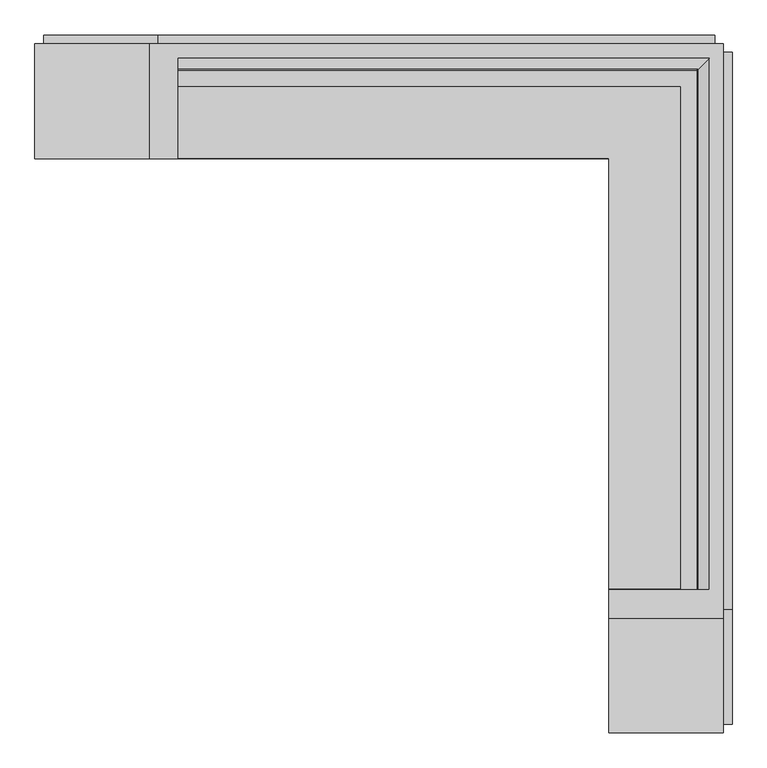
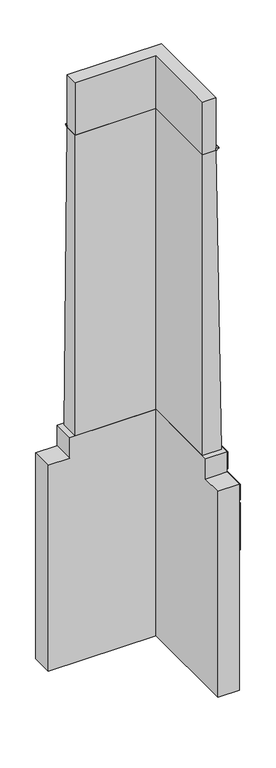
"""IFC4 building model written with IfcOpenShell, lengths in millimetres: furniture geometry."""

from ifc_helpers import new_model, si_unit, frame, origin, place, context, project, spatial, polyline, circle_curve, ellipse_curve, outline, extrude, faceted_brep, source, transform, mapped, element, save
from ifc_brep_helpers import plane_surface, cylinder_surface, advanced_brep


def furniture_e958b39d(model_context):
    return source(origin(), model_context, "Body", "SolidModel", [
        faceted_brep([(310.2319964, 362.5924503, -130.0), (-1689.7680036, 362.5924503, -130.0), (-1689.7680036, 762.5924503, -130.0), (710.2319964, 762.5924503, -130.0), (710.2319964, -1637.4075497, -130.0), (310.2319964, -1637.4075497, -130.0), (310.2319964, -1637.4075497, 3910.0), (710.2319964, -1637.4075497, 3910.0), (-1689.7680036, 762.5924503, 3910.0), (-1689.7680036, 362.5924503, 3910.0), (-1289.7680036, 362.5924503, 3910.0), (-1289.7680036, 762.5924503, 3910.0), (710.2319964, -1237.4075497, 3910.0), (310.2319964, -1237.4075497, 3910.0), (310.2319964, 362.5924503, 4310.0), (310.2319964, -1237.4075497, 4310.0), (710.2319964, -1237.4075497, 4310.0), (710.2319964, 762.5924503, 4310.0), (-1289.7680036, 762.5924503, 4310.0), (-1289.7680036, 362.5924503, 4310.0)], [[[0, 1, 2, 3, 4, 5]], [[6, 5, 4, 7]], [[8, 2, 1, 9]], [[9, 10, 11, 8]], [[7, 12, 13, 6]], [[14, 15, 16, 17, 18, 19]], [[19, 10, 9, 1, 0, 14]], [[18, 11, 10, 19]], [[17, 3, 2, 8, 11, 18]], [[16, 12, 7, 4, 3, 17]], [[15, 13, 12, 16]], [[0, 5, 6, 13, 15, 14]]]),
        advanced_brep(
        [(-1189.7680036, 612.5924503, 10210.0), (-1189.7680036, 612.5924503, 10252.177667), (-1189.7680036, 669.4147832, 10252.177667), (-1189.7680036, 672.5924503, 10249.0), (-1189.7680036, 672.5924503, 10246.0), (-1189.7680036, 662.5924503, 10236.0), (-1189.7680036, 652.1318423, 10236.0), (-1189.7680036, 642.5924503, 10223.0), (-1189.7680036, 632.1318423, 10223.0), (-1189.7680036, 622.5924503, 10210.0), (570.2319964, 622.5924503, 10210.0), (570.2319964, -1137.4075497, 10210.0), (560.2319964, -1137.4075497, 10210.0), (560.2319964, 612.5924503, 10210.0), (579.7713884, 632.1318423, 10223.0), (590.2319964, 642.5924503, 10223.0), (590.2319964, -1137.4075497, 10223.0), (579.7713884, -1137.4075497, 10223.0), (599.7713884, 652.1318423, 10236.0), (610.2319964, 662.5924503, 10236.0), (610.2319964, -1137.4075497, 10236.0), (599.7713884, -1137.4075497, 10236.0), (620.2319964, 672.5924503, 10246.0), (617.0543293, 669.4147832, 10252.177667), (620.2319964, 672.5924503, 10249.0), (560.2319964, 612.5924503, 10252.177667), (560.2319964, -1137.4075497, 10252.177667), (617.0543293, -1137.4075497, 10252.177667), (620.2319964, -1137.4075497, 10246.0), (620.2319964, -1137.4075497, 10249.0)],
        [
            (0, 1),
            (1, 2),
            (2, 3, circle_curve(frame((-1189.7680036, 669.4147832, 10249.0), z_axis=(-1.0, 0.0, 0.0), x_axis=(0.0, 1.0, 0.0)), 3.177667)),
            (3, 4),
            (4, 5, circle_curve(frame((-1189.7680036, 662.5924503, 10246.0), z_axis=(-1.0, 0.0, 0.0), x_axis=(0.0, 1.0, 0.0)), 10.0)),
            (5, 6),
            (6, 7, circle_curve(frame((-1189.7680036, 642.5924503, 10233.0), z_axis=(-1.0, 0.0, 0.0), x_axis=(0.0, 1.0, 0.0)), 10.0)),
            (7, 8),
            (8, 9, circle_curve(frame((-1189.7680036, 622.5924503, 10220.0), z_axis=(-1.0, 0.0, 0.0), x_axis=(0.0, 1.0, 0.0)), 10.0)),
            (9, 0),
            (9, 10),
            (10, 11),
            (11, 12),
            (12, 13),
            (13, 0),
            (8, 14),
            (14, 10, ellipse_curve(frame((570.2319964, 622.5924503, 10220.0), z_axis=(-0.7071067811865475, 0.7071067811865476, 0.0), x_axis=(-0.7071067811865476, -0.7071067811865475, 0.0)), 14.1421356, 10.0)),
            (7, 15),
            (15, 16),
            (16, 17),
            (17, 14),
            (6, 18),
            (18, 15, ellipse_curve(frame((590.2319964, 642.5924503, 10233.0), z_axis=(-0.7071067811865475, 0.7071067811865476, 0.0), x_axis=(-0.7071067811865476, -0.7071067811865475, 0.0)), 14.1421356, 10.0)),
            (5, 19),
            (19, 20),
            (20, 21),
            (21, 18),
            (4, 22),
            (22, 19, ellipse_curve(frame((610.2319964, 662.5924503, 10246.0), z_axis=(-0.7071067811865475, 0.7071067811865476, 0.0), x_axis=(-0.7071067811865476, -0.7071067811865475, 0.0)), 14.1421356, 10.0)),
            (2, 23),
            (23, 24, ellipse_curve(frame((617.0543293, 669.4147832, 10249.0), z_axis=(-0.7071067811865475, 0.7071067811865476, 0.0), x_axis=(-0.7071067811865476, -0.7071067811865475, 0.0)), 4.4938998, 3.177667)),
            (24, 3),
            (1, 25),
            (25, 26),
            (26, 27),
            (27, 23),
            (13, 25),
            (11, 17, circle_curve(frame((570.2319964, -1137.4075497, 10220.0), z_axis=(0.0, -1.0, 0.0), x_axis=(1.0, 0.0, 0.0)), 10.0)),
            (16, 21, circle_curve(frame((590.2319964, -1137.4075497, 10233.0), z_axis=(0.0, -1.0, 0.0), x_axis=(1.0, 0.0, 0.0)), 10.0)),
            (20, 28, circle_curve(frame((610.2319964, -1137.4075497, 10246.0), z_axis=(0.0, -1.0, 0.0), x_axis=(1.0, 0.0, 0.0)), 10.0)),
            (28, 29),
            (29, 27, circle_curve(frame((617.0543293, -1137.4075497, 10249.0), z_axis=(0.0, -1.0, 0.0), x_axis=(1.0, 0.0, 0.0)), 3.177667)),
            (26, 12),
            (22, 28),
            (29, 24),
            (24, 22),
        ],
        [
            plane_surface(frame((-1189.7680036, 612.5924503, 10210.0), z_axis=(-1.0, 0.0, 0.0), x_axis=(0.0, 0.0, 1.0))),
            plane_surface(frame((-1189.7680036, 612.5924503, 10210.0), z_axis=(0.0, 0.0, -1.0), x_axis=(1.0, 0.0, 0.0))),
            cylinder_surface(frame((-1189.7680036, 622.5924503, 10220.0), z_axis=(-1.0, 0.0, 0.0), x_axis=(0.0, 1.0, 0.0)), 10.0),
            plane_surface(frame((-1189.7680036, 632.1318423, 10223.0), z_axis=(0.0, 0.0, -1.0), x_axis=(1.0, 0.0, 0.0))),
            cylinder_surface(frame((-1189.7680036, 642.5924503, 10233.0), z_axis=(-1.0, 0.0, 0.0), x_axis=(0.0, 1.0, 0.0)), 10.0),
            plane_surface(frame((-1189.7680036, 652.1318423, 10236.0), z_axis=(0.0, 0.0, -1.0), x_axis=(1.0, 0.0, 0.0))),
            cylinder_surface(frame((-1189.7680036, 662.5924503, 10246.0), z_axis=(-1.0, 0.0, 0.0), x_axis=(0.0, 1.0, 0.0)), 10.0),
            cylinder_surface(frame((-1189.7680036, 669.4147832, 10249.0), z_axis=(-1.0, 0.0, 0.0), x_axis=(0.0, 1.0, 0.0)), 3.177667),
            plane_surface(frame((-1189.7680036, 669.4147832, 10252.177667), z_axis=(0.0, 0.0, 1.0), x_axis=(1.0, 0.0, 0.0))),
            plane_surface(frame((-1189.7680036, 612.5924503, 10252.177667), z_axis=(0.0, -1.0, 0.0), x_axis=(1.0, 0.0, 0.0))),
            plane_surface(frame((560.2319964, -1137.4075497, 10210.0), z_axis=(0.0, -1.0, 0.0), x_axis=(0.0, 0.0, 1.0))),
            cylinder_surface(frame((570.2319964, 612.5924503, 10220.0), z_axis=(0.0, 1.0, 0.0), x_axis=(1.0, 0.0, 0.0)), 10.0),
            cylinder_surface(frame((590.2319964, 612.5924503, 10233.0), z_axis=(0.0, 1.0, 0.0), x_axis=(1.0, 0.0, 0.0)), 10.0),
            cylinder_surface(frame((610.2319964, 612.5924503, 10246.0), z_axis=(0.0, 1.0, 0.0), x_axis=(1.0, 0.0, 0.0)), 10.0),
            cylinder_surface(frame((617.0543293, 612.5924503, 10249.0), z_axis=(0.0, 1.0, 0.0), x_axis=(1.0, 0.0, 0.0)), 3.177667),
            plane_surface(frame((560.2319964, 612.5924503, 10252.177667), z_axis=(-1.0, 0.0, 0.0), x_axis=(0.0, -1.0, 0.0))),
            plane_surface(frame((-1189.7680036, 672.5924503, 10246.0), z_axis=(0.0, 1.0, 0.0), x_axis=(1.0, 0.0, 0.0))),
            plane_surface(frame((620.2319964, 672.5924503, 10246.0), z_axis=(1.0, 0.0, 0.0), x_axis=(0.0, -1.0, 0.0))),
        ],
        [
            (0, [[1, 2, 3, 4, 5, 6, 7, 8, 9, 10]]),
            (1, [[11, 12, 13, 14, 15, -10]]),
            (2, [[16, 17, -11, -9]]),
            (3, [[18, 19, 20, 21, -16, -8]]),
            (4, [[22, 23, -18, -7]]),
            (5, [[24, 25, 26, 27, -22, -6]]),
            (6, [[28, 29, -24, -5]]),
            (7, [[30, 31, 32, -3]]),
            (8, [[33, 34, 35, 36, -30, -2]]),
            (9, [[-15, 37, -33, -1]]),
            (10, [[-13, 38, -20, 39, -26, 40, 41, 42, -35, 43]]),
            (11, [[-21, -38, -12, -17]]),
            (12, [[-27, -39, -19, -23]]),
            (13, [[44, -40, -25, -29]]),
            (14, [[-36, -42, 45, -31]]),
            (15, [[-14, -43, -34, -37]]),
            (16, [[-32, 46, -28, -4]]),
            (17, [[-45, -41, -44, -46]]),
        ],
    ),
        extrude(outline(polyline([(740.2003264, -1207.4075497), (710.2319964, -1207.4075497), (710.2319964, 732.5924503), (740.2003264, 732.5924503), (740.2003264, -1207.4075497)])), frame((0.0, 0.0, 3940.0), z_axis=(0.0, 0.0, 1.0), x_axis=(1.0, 0.0, 0.0)), (0.0, 0.0, 1.0), 340.0),
        extrude(outline(polyline([(740.2003264, -57.4075497), (710.2319964, -57.4075497), (710.2319964, 732.5924503), (740.2003264, 732.5924503), (740.2003264, -57.4075497)])), frame((0.0, 0.0, 3580.0), z_axis=(0.0, 0.0, 1.0), x_axis=(1.0, 0.0, 0.0)), (0.0, 0.0, 1.0), 300.0),
        extrude(outline(polyline([(740.2003264, -407.4075497), (710.2319964, -407.4075497), (710.2319964, 732.5924503), (740.2003264, 732.5924503), (740.2003264, -407.4075497)])), frame((0.0, 0.0, 2600.0), z_axis=(0.0, 0.0, 1.0), x_axis=(1.0, 0.0, 0.0)), (0.0, 0.0, 1.0), 920.0),
        extrude(outline(polyline([(740.2003264, -1607.4075497), (710.2319964, -1607.4075497), (710.2319964, -117.4075497), (740.2003264, -117.4075497), (740.2003264, -1607.4075497)])), frame((0.0, 0.0, 3580.0), z_axis=(0.0, 0.0, 1.0), x_axis=(1.0, 0.0, 0.0)), (0.0, 0.0, 1.0), 300.0),
        extrude(outline(polyline([(740.2003264, -1607.4075497), (710.2319964, -1607.4075497), (710.2319964, -467.4075497), (740.2003264, -467.4075497), (740.2003264, -1607.4075497)])), frame((0.0, 0.0, 2600.0), z_axis=(0.0, 0.0, 1.0), x_axis=(1.0, 0.0, 0.0)), (0.0, 0.0, 1.0), 920.0),
        extrude(outline(polyline([(680.2319964, 792.6), (680.2319964, 762.5924503), (-1259.7680036, 762.5924503), (-1259.7680036, 792.6), (680.2319964, 792.6)])), frame((0.0, 0.0, 3940.0), z_axis=(0.0, 0.0, 1.0), x_axis=(1.0, 0.0, 0.0)), (0.0, 0.0, 1.0), 340.0),
        extrude(outline(polyline([(-169.7680036, 792.6), (-169.7680036, 762.5924503), (-1659.7680036, 762.5924503), (-1659.7680036, 792.6), (-169.7680036, 792.6)])), frame((0.0, 0.0, 3580.0), z_axis=(0.0, 0.0, 1.0), x_axis=(1.0, 0.0, 0.0)), (0.0, 0.0, 1.0), 300.0),
        extrude(outline(polyline([(680.2319964, 792.6), (680.2319964, 762.5924503), (-109.7680036, 762.5924503), (-109.7680036, 792.6), (680.2319964, 792.6)])), frame((0.0, 0.0, 3580.0), z_axis=(0.0, 0.0, 1.0), x_axis=(1.0, 0.0, 0.0)), (0.0, 0.0, 1.0), 300.0),
        extrude(outline(polyline([(-519.7680036, 792.6), (-519.7680036, 762.5924503), (-1659.7680036, 762.5924503), (-1659.7680036, 792.6), (-519.7680036, 792.6)])), frame((0.0, 0.0, 2600.0), z_axis=(0.0, 0.0, 1.0), x_axis=(1.0, 0.0, 0.0)), (0.0, 0.0, 1.0), 920.0),
        extrude(outline(polyline([(680.2319964, 792.6), (680.2319964, 762.5924503), (-459.7680036, 762.5924503), (-459.7680036, 792.6), (680.2319964, 792.6)])), frame((0.0, 0.0, 2600.0), z_axis=(0.0, 0.0, 1.0), x_axis=(1.0, 0.0, 0.0)), (0.0, 0.0, 1.0), 920.0),
        extrude(outline(polyline([(-1189.7680036, 362.5924503), (-1189.7680036, 612.5924503), (560.2319964, 612.5924503), (560.2319964, -1137.4075497), (310.2319964, -1137.4075497), (310.2319964, 362.5924503), (-1189.7680036, 362.5924503)])), frame((0.0, 0.0, 10210.0), z_axis=(0.0, 0.0, 1.0), x_axis=(1.0, 0.0, 0.0)), (0.0, 0.0, 1.0), 1030.0),
        faceted_brep([(310.2319964, -1137.4075497, 10210.0), (560.2319964, -1137.4075497, 10210.0), (560.2319964, 612.5924503, 10210.0), (-1189.7680036, 612.5924503, 10210.0), (-1189.7680036, 362.5924503, 10210.0), (310.2319964, 362.5924503, 10210.0), (310.2319964, -1137.4075497, 4310.0), (310.2319964, 362.5924503, 4310.0), (-1189.7680036, 362.5924503, 4310.0), (-1189.7680036, 712.5924503, 4310.0), (660.2319964, 712.5924503, 4310.0), (660.2319964, -1137.4075497, 4310.0)], [[[0, 1, 2, 3, 4, 5]], [[6, 7, 8, 9, 10, 11]], [[6, 0, 5, 7]], [[7, 5, 4, 8]], [[8, 4, 3, 9]], [[9, 3, 2, 10]], [[10, 2, 1, 11]], [[11, 1, 0, 6]]]),
    ])


if __name__ == "__main__":
    model = new_model("IFC4")
    model_context = context("Model", 3, world=origin())
    ifc_project = project(units=[si_unit("LENGTHUNIT", "METRE", prefix="MILLI")], contexts=[model_context])
    site = spatial("IfcSite", under=ifc_project)
    building = spatial("IfcBuilding", under=site)
    placement = place(None, origin())
    furniture_shape = furniture_e958b39d(model_context)
    element("IfcFurniture", 1, at=placement, inside=building, context=model_context, shape_type="MappedRepresentation", body=[
        mapped(furniture_shape, transform((0.0, 0.0, 0.0), x_axis=(1.0, 0.0, 0.0), y_axis=(0.0, 1.0, 0.0), z_axis=(0.0, 0.0, 1.0))),
    ])
    save(model, "model.ifc")
